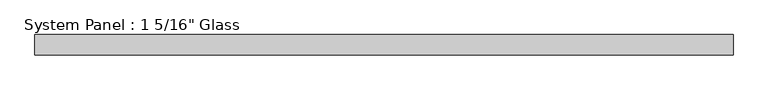
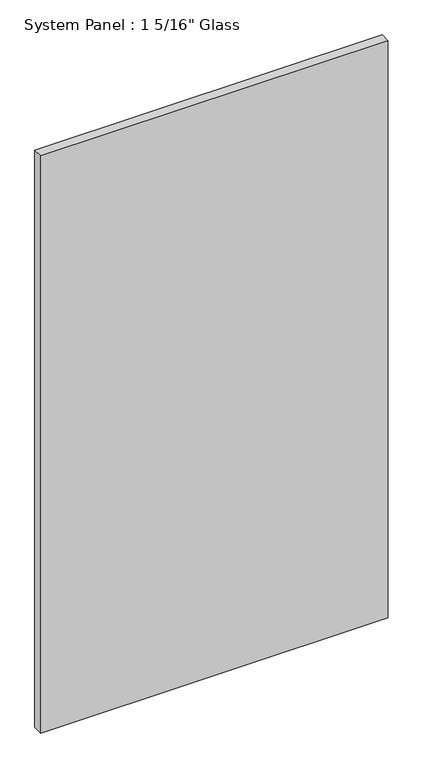
"""IFC4 building model written with IfcOpenShell, lengths in millimetres: plate geometry."""

from ifc_helpers import new_model, si_unit, origin, origin_with_axes, place, context, project, spatial, polyline, outline, extrude, source, transform, mapped, element, save


def plate_d266201a(model_context):
    return source(origin(), model_context, "Body", "SweptSolid", [
        extrude(outline(polyline([(571.5, -16.66875), (-571.5, -16.66875), (-571.5, 16.66875), (571.5, 16.66875), (571.5, -16.66875)])), origin_with_axes(), (0.0, 0.0, 1.0), 2006.6),
    ])


if __name__ == "__main__":
    model = new_model("IFC4")
    model_context = context("Model", 3, world=origin())
    ifc_project = project(units=[si_unit("LENGTHUNIT", "METRE", prefix="MILLI")], contexts=[model_context])
    site = spatial("IfcSite", under=ifc_project)
    building = spatial("IfcBuilding", under=site)
    placement = place(None, origin())
    plate_shape = plate_d266201a(model_context)
    element("IfcPlate", 1, ObjectType="System Panel : 1 5/16\" Glass", at=placement, inside=building, context=model_context, shape_type="MappedRepresentation", body=[
        mapped(plate_shape, transform((0.0, 0.0, 0.0), x_axis=(1.0, 0.0, 0.0), y_axis=(0.0, 1.0, 0.0), z_axis=(0.0, 0.0, 1.0))),
    ])
    save(model, "model.ifc")
